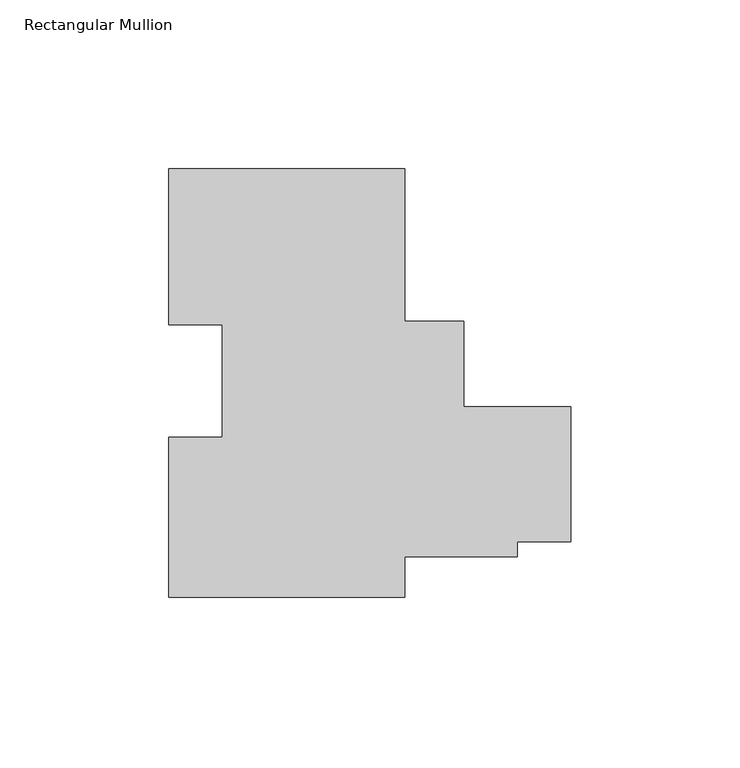
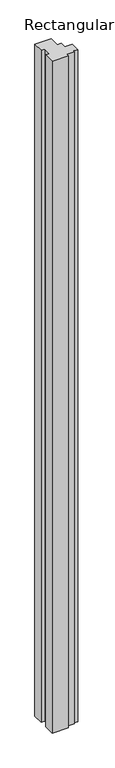
"""IFC4 building model written with IfcOpenShell, lengths in millimetres: member geometry, Rectangular Mullion."""

from ifc_helpers import new_model, si_unit, frame, origin, place, context, project, spatial, polyline, outline, extrude, source, transform, mapped, element, save


def rectangular_mullion_3728b402(model_context):
    return source(origin(), model_context, "Body", "SweptSolid", [
        extrude(outline(polyline([(-49.3156857, 67.0605371), (-49.3156857, 21.8868327), (-31.74817, 21.8868327), (-31.74817, -3.5051448), (0.0, -3.5051448), (0.0, -43.5101448), (-15.8740905, -43.5101448), (-15.8740905, -47.9551448), (-49.3156857, -47.9551448), (-49.3156857, -59.9394629), (-119.1656857, -59.9394629), (-119.1656857, -12.4853943), (-103.2906857, -12.4853943), (-103.2906857, 20.8776271), (-119.1656857, 20.8776271), (-119.1656857, 67.0605371), (-49.3156857, 67.0605371)])), frame((0.0, 0.0, -3048.0), z_axis=(0.0, 0.0, 1.0), x_axis=(1.0, 0.0, 0.0)), (0.0, 0.0, 1.0), 3048.0),
    ])


if __name__ == "__main__":
    model = new_model("IFC4")
    model_context = context("Model", 3, world=origin())
    ifc_project = project(units=[si_unit("LENGTHUNIT", "METRE", prefix="MILLI")], contexts=[model_context])
    site = spatial("IfcSite", under=ifc_project)
    building = spatial("IfcBuilding", under=site)
    placement = place(None, origin())
    rectangular_mullion_shape = rectangular_mullion_3728b402(model_context)
    element("IfcMember", 1, ObjectType="Rectangular Mullion", at=placement, inside=building, context=model_context, shape_type="MappedRepresentation", body=[
        mapped(rectangular_mullion_shape, transform((0.0, 0.0, 0.0), x_axis=(1.0, 0.0, 0.0), y_axis=(0.0, 1.0, 0.0), z_axis=(0.0, 0.0, 1.0))),
    ])
    save(model, "model.ifc")
